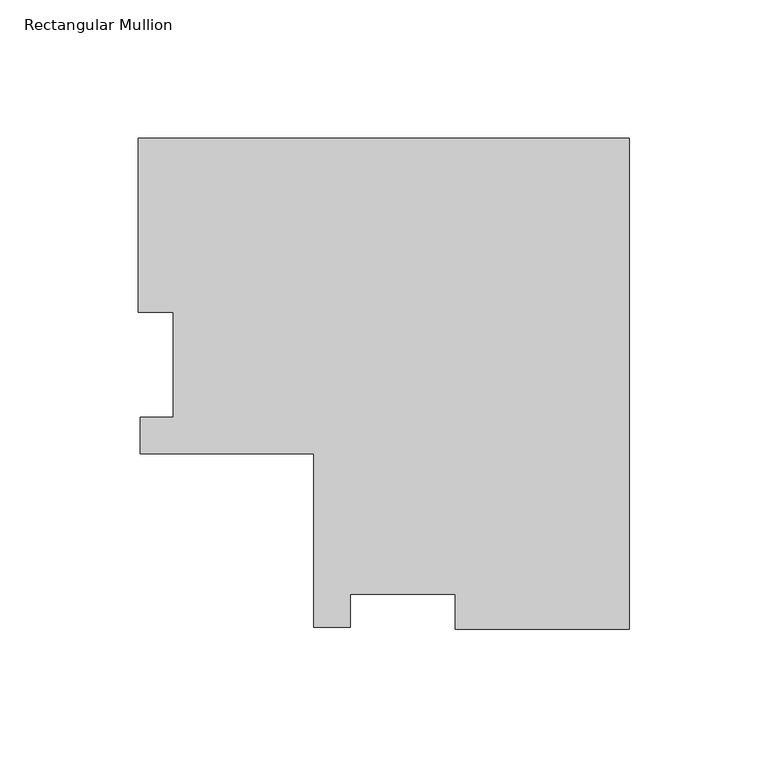
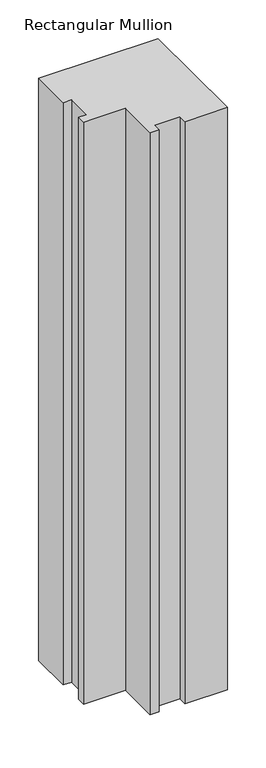
"""IFC4 building model written with IfcOpenShell, lengths in millimetres: member geometry, Rectangular Mullion."""

from ifc_helpers import new_model, si_unit, frame, origin, place, context, project, spatial, polyline, outline, extrude, source, transform, mapped, element, save


def rectangular_mullion_ca023de1(model_context):
    return source(origin(), model_context, "Body", "SweptSolid", [
        extrude(outline(polyline([(-177.77968, 115.4787187), (0.0, 115.4787187), (0.0, -62.3009613), (-62.992, -62.3009613), (-62.992, -49.6017656), (-101.092, -49.6017656), (-101.092, -61.5135613), (-114.27968, -61.5135613), (-114.27968, 1.1990387), (-176.9922794, 1.1990387), (-176.9922794, 14.3867187), (-165.0804844, 14.3867187), (-165.0804844, 52.4867187), (-177.77968, 52.4867187), (-177.77968, 115.4787187)])), frame((0.0, 0.0, -914.4), z_axis=(0.0, 0.0, 1.0), x_axis=(1.0, 0.0, 0.0)), (0.0, 0.0, 1.0), 914.4),
    ])


if __name__ == "__main__":
    model = new_model("IFC4")
    model_context = context("Model", 3, world=origin())
    ifc_project = project(units=[si_unit("LENGTHUNIT", "METRE", prefix="MILLI")], contexts=[model_context])
    site = spatial("IfcSite", under=ifc_project)
    building = spatial("IfcBuilding", under=site)
    placement = place(None, origin())
    rectangular_mullion_shape = rectangular_mullion_ca023de1(model_context)
    element("IfcMember", 1, ObjectType="Rectangular Mullion", at=placement, inside=building, context=model_context, shape_type="MappedRepresentation", body=[
        mapped(rectangular_mullion_shape, transform((0.0, 0.0, 0.0), x_axis=(1.0, 0.0, 0.0), y_axis=(0.0, 1.0, 0.0), z_axis=(0.0, 0.0, 1.0))),
    ])
    save(model, "model.ifc")
